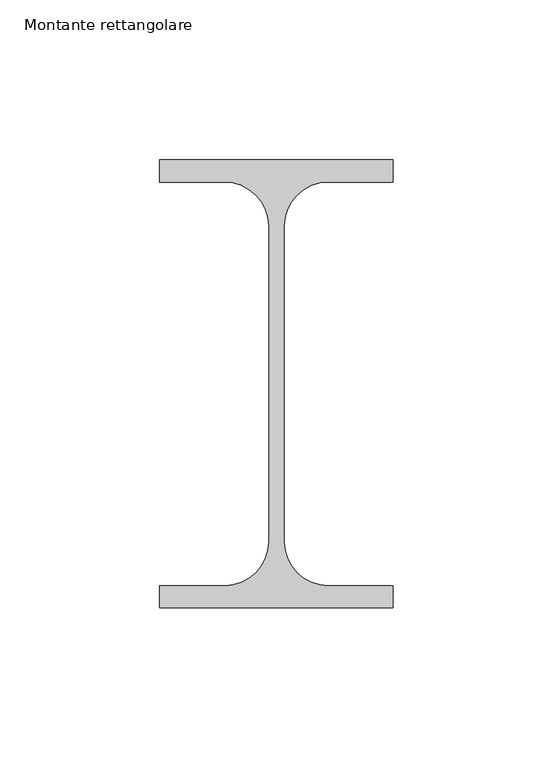
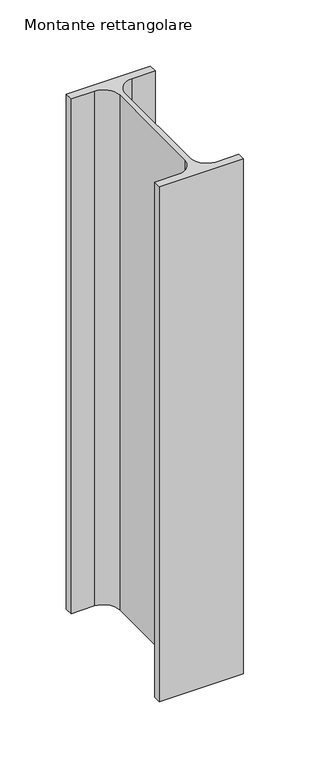
"""IFC4 building model written with IfcOpenShell, lengths in millimetres: member geometry, Montante rettangolare."""

from ifc_helpers import new_model, si_unit, point, frame, frame_2d, origin, place, context, project, spatial, polyline, circle_curve, trimmed, segment, composite_curve, outline, extrude, source, transform, mapped, element, save


def montante_rettangolare_be6fd61c(model_context):
    return source(origin(), model_context, "Body", "SweptSolid", [
        extrude(outline(composite_curve([segment(polyline([(-73.0, 13.1), (-73.0, 20.0), (0.0, 20.0), (0.0, 13.1), (-20.25, 13.1)]), True, "CONTINUOUS"), segment(trimmed(circle_curve(frame_2d((-20.25, -0.8)), 13.9), [point((-20.25, 13.1))], [point((-34.15, -0.8))], True, "CARTESIAN"), True, "CONTINUOUS"), segment(polyline([(-34.15, -0.8), (-34.15, -99.2)]), True, "CONTINUOUS"), segment(trimmed(circle_curve(frame_2d((-20.25, -99.2)), 13.9), [point((-34.15, -99.2))], [point((-20.25, -113.1))], True, "CARTESIAN"), True, "CONTINUOUS"), segment(polyline([(-20.25, -113.1), (0.0, -113.1), (0.0, -120.0), (-73.0, -120.0), (-73.0, -113.1), (-52.75, -113.1)]), True, "CONTINUOUS"), segment(trimmed(circle_curve(frame_2d((-52.75, -99.2)), 13.9), [point((-52.75, -113.1))], [point((-38.85, -99.2))], True, "CARTESIAN"), True, "CONTINUOUS"), segment(polyline([(-38.85, -99.2), (-38.85, -0.8)]), True, "CONTINUOUS"), segment(trimmed(circle_curve(frame_2d((-52.75, -0.8)), 13.9), [point((-38.85, -0.8))], [point((-52.75, 13.1))], True, "CARTESIAN"), True, "CONTINUOUS"), segment(polyline([(-52.75, 13.1), (-73.0, 13.1)]), True, "CONTINUOUS")], self_intersect=False)), frame((0.0, 0.0, -473.0466534), z_axis=(0.0, 0.0, 1.0), x_axis=(1.0, 0.0, 0.0)), (0.0, 0.0, 1.0), 473.0466534),
    ])


if __name__ == "__main__":
    model = new_model("IFC4")
    model_context = context("Model", 3, world=origin())
    ifc_project = project(units=[si_unit("LENGTHUNIT", "METRE", prefix="MILLI")], contexts=[model_context])
    site = spatial("IfcSite", under=ifc_project)
    building = spatial("IfcBuilding", under=site)
    placement = place(None, origin())
    montante_rettangolare_shape = montante_rettangolare_be6fd61c(model_context)
    element("IfcMember", 1, ObjectType="Montante rettangolare", at=placement, inside=building, context=model_context, shape_type="MappedRepresentation", body=[
        mapped(montante_rettangolare_shape, transform((0.0, 0.0, 0.0), x_axis=(1.0, 0.0, 0.0), y_axis=(0.0, 1.0, 0.0), z_axis=(0.0, 0.0, 1.0))),
    ])
    save(model, "model.ifc")
